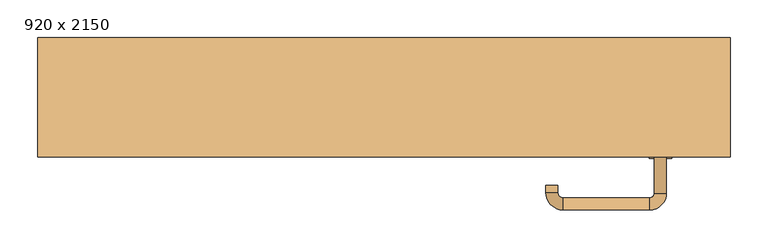
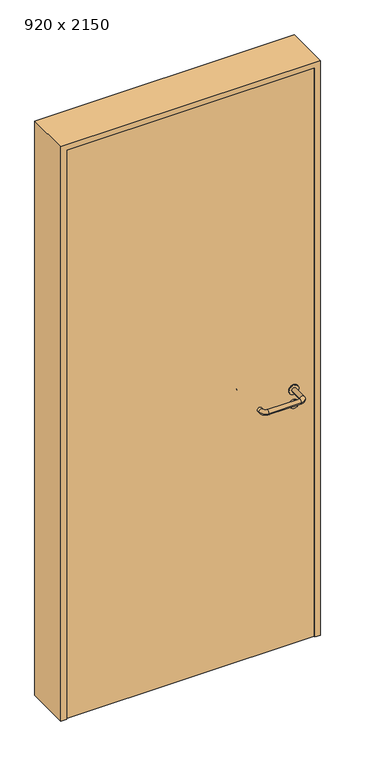
"""IFC4 building model written with IfcOpenShell, lengths in millimetres: door geometry, 920 x 2150."""

from ifc_helpers import new_model, si_unit, point, frame, frame_2d, origin, origin_with_axes, place, context, project, spatial, polyline, circle_curve, ellipse_curve, trimmed, segment, composite_curve, outline, extrude, source, transform, mapped, element, save
from ifc_brep_helpers import plane_surface, cylinder_surface, revolved_surface, advanced_brep


def door_920_x_2150_e24b32ec(model_context):
    return source(origin(), model_context, "Body", "SolidModel", [
        extrude(outline(composite_curve([segment(trimmed(circle_curve(frame_2d((897.3605726, 367.0)), 15.0), [point((897.3605726, 382.0))], [point((897.3605726, 352.0))], False, "CARTESIAN"), True, "CONTINUOUS"), segment(trimmed(circle_curve(frame_2d((897.3605726, 367.0)), 15.0), [point((897.3605726, 352.0))], [point((897.3605726, 382.0))], False, "CARTESIAN"), True, "CONTINUOUS")], self_intersect=False), holes=[composite_curve([segment(trimmed(circle_curve(frame_2d((892.5833211, 366.9398032)), 2.0), [point((892.5833211, 368.9398032))], [point((892.5833211, 364.9398032))], True, "CARTESIAN"), True, "CONTINUOUS"), segment(polyline([(892.5833211, 364.9398032), (902.5833211, 364.9398032)]), True, "CONTINUOUS"), segment(trimmed(circle_curve(frame_2d((902.5833211, 366.9398032)), 2.0), [point((902.5833211, 364.9398032))], [point((902.5833211, 368.9398032))], True, "CARTESIAN"), True, "CONTINUOUS"), segment(polyline([(902.5833211, 368.9398032), (892.5833211, 368.9398032)]), True, "CONTINUOUS")], self_intersect=False)]), frame((0.0, -45.0, 0.0), z_axis=(0.0, 1.0, 0.0), x_axis=(0.0, 0.0, 1.0)), (0.0, 0.0, 1.0), 6.35),
        extrude(outline(composite_curve([segment(trimmed(circle_curve(frame_2d((950.0, 367.0)), 17.526), [point((950.0, 384.526))], [point((950.0, 349.474))], False, "CARTESIAN"), True, "CONTINUOUS"), segment(trimmed(circle_curve(frame_2d((950.0, 367.0)), 17.526), [point((950.0, 349.474))], [point((950.0, 384.526))], False, "CARTESIAN"), True, "CONTINUOUS")], self_intersect=False)), frame((0.0, -45.0, 0.0), z_axis=(0.0, 1.0, 0.0), x_axis=(0.0, 0.0, 1.0)), (0.0, 0.0, 1.0), 3.175),
        advanced_brep(
        [(375.0, -45.0, 950.0), (359.0, -45.0, 950.0), (375.0, 8.0, 950.0), (359.0, 8.0, 950.0), (352.8578644, 14.1421356, 950.0), (352.8578644, 30.1421356, 950.0), (237.8578644, 30.1421356, 950.0), (237.8578644, 14.1421356, 950.0), (231.008622, 7.2928932, 950.0), (215.008622, 7.2928932, 950.0), (215.008622, -2.7071068, 950.0), (231.008622, -2.7071068, 950.0)],
        [
            (0, 1, circle_curve(frame((367.0, -45.0, 950.0), z_axis=(0.0, -1.0, 0.0), x_axis=(-1.0, 0.0, 0.0)), 8.0)),
            (1, 0, circle_curve(frame((367.0, -45.0, 950.0), z_axis=(0.0, -1.0, 0.0), x_axis=(-1.0, 0.0, 0.0)), 8.0)),
            (0, 2),
            (2, 3, circle_curve(frame((367.0, 8.0, 950.0), z_axis=(0.0, -1.0, 0.0), x_axis=(-1.0, 0.0, 0.0)), 8.0)),
            (3, 1),
            (3, 2, circle_curve(frame((367.0, 8.0, 950.0), z_axis=(0.0, -1.0, 0.0), x_axis=(-1.0, 0.0, 0.0)), 8.0)),
            (4, 3, circle_curve(frame((352.8578644, 8.0, 950.0), z_axis=(0.0, 0.0, -1.0), x_axis=(1.0, 0.0, 0.0)), 6.1421356)),
            (2, 5, circle_curve(frame((352.8578644, 8.0, 950.0), z_axis=(0.0, 0.0, 1.0), x_axis=(1.0, 0.0, 0.0)), 22.1421356)),
            (5, 4, circle_curve(frame((352.8578644, 22.1421356, 950.0), z_axis=(1.0, 0.0, 0.0), x_axis=(0.0, -1.0, 0.0)), 8.0)),
            (4, 5, circle_curve(frame((352.8578644, 22.1421356, 950.0), z_axis=(1.0, 0.0, 0.0), x_axis=(0.0, -1.0, 0.0)), 8.0)),
            (5, 6),
            (6, 7, circle_curve(frame((237.8578644, 22.1421356, 950.0), z_axis=(1.0, 0.0, 0.0), x_axis=(0.0, -1.0, 0.0)), 8.0)),
            (7, 4),
            (7, 6, circle_curve(frame((237.8578644, 22.1421356, 950.0), z_axis=(1.0, 0.0, 0.0), x_axis=(0.0, -1.0, 0.0)), 8.0)),
            (8, 7, circle_curve(frame((237.8578644, 7.2928932, 950.0), z_axis=(0.0, 0.0, -1.0), x_axis=(0.0, 1.0, 0.0)), 6.8492424)),
            (6, 9, circle_curve(frame((237.8578644, 7.2928932, 950.0), z_axis=(0.0, 0.0, 1.0), x_axis=(0.0, 1.0, 0.0)), 22.8492424)),
            (9, 8, circle_curve(frame((223.008622, 7.2928932, 950.0), z_axis=(0.0, 1.0, 0.0), x_axis=(1.0, 0.0, 0.0)), 8.0)),
            (8, 9, circle_curve(frame((223.008622, 7.2928932, 950.0), z_axis=(0.0, 1.0, 0.0), x_axis=(1.0, 0.0, 0.0)), 8.0)),
            (10, 11, circle_curve(frame((223.008622, -2.7071068, 950.0), z_axis=(0.0, -1.0, 0.0), x_axis=(1.0, 0.0, 0.0)), 8.0)),
            (11, 10, circle_curve(frame((223.008622, -2.7071068, 950.0), z_axis=(0.0, -1.0, 0.0), x_axis=(1.0, 0.0, 0.0)), 8.0)),
            (9, 10),
            (11, 8),
        ],
        [
            plane_surface(frame((367.0, -45.0, 0.0), z_axis=(0.0, -1.0, 0.0), x_axis=(0.0, 0.0, 1.0))),
            cylinder_surface(frame((367.0, -45.0, 950.0), z_axis=(0.0, -1.0, 0.0), x_axis=(-1.0, 0.0, 0.0)), 8.0),
            revolved_surface(trimmed(ellipse_curve(frame((367.0, 8.0, 950.0), z_axis=(0.0, -1.0, 0.0), x_axis=(-1.0, 0.0, 0.0)), 8.0, 8.0), [point((375.0, 8.0, 950.0))], [point((359.0, 8.0, 950.0))], True, "CARTESIAN"), (352.8578644, 8.0, 0.0), (0.0, 0.0, 1.0)),
            revolved_surface(trimmed(ellipse_curve(frame((367.0, 8.0, 950.0), z_axis=(0.0, -1.0, 0.0), x_axis=(-1.0, 0.0, 0.0)), 8.0, 8.0), [point((359.0, 8.0, 950.0))], [point((375.0, 8.0, 950.0))], True, "CARTESIAN"), (352.8578644, 8.0, 0.0), (0.0, 0.0, 1.0)),
            cylinder_surface(frame((352.8578644, 22.1421356, 950.0), z_axis=(1.0, 0.0, 0.0), x_axis=(0.0, -1.0, 0.0)), 8.0),
            revolved_surface(trimmed(ellipse_curve(frame((237.8578644, 22.1421356, 950.0), z_axis=(1.0, 0.0, 0.0), x_axis=(0.0, -1.0, 0.0)), 8.0, 8.0), [point((237.8578644, 30.1421356, 950.0))], [point((237.8578644, 14.1421356, 950.0))], True, "CARTESIAN"), (237.8578644, 7.2928932, 0.0), (0.0, 0.0, 1.0)),
            revolved_surface(trimmed(ellipse_curve(frame((237.8578644, 22.1421356, 950.0), z_axis=(1.0, 0.0, 0.0), x_axis=(0.0, -1.0, 0.0)), 8.0, 8.0), [point((237.8578644, 14.1421356, 950.0))], [point((237.8578644, 30.1421356, 950.0))], True, "CARTESIAN"), (237.8578644, 7.2928932, 0.0), (0.0, 0.0, 1.0)),
            plane_surface(frame((223.008622, -2.7071068, 0.0), z_axis=(0.0, -1.0, 0.0), x_axis=(0.0, 0.0, 1.0))),
            cylinder_surface(frame((223.008622, 7.2928932, 950.0), z_axis=(0.0, 1.0, 0.0), x_axis=(1.0, 0.0, 0.0)), 8.0),
        ],
        [
            (0, [[1, 2]]),
            (1, [[-1, 3, 4, 5]]),
            (1, [[-2, -5, 6, -3]]),
            (2, [[7, -4, 8, 9]]),
            (3, [[-8, -6, -7, 10]]),
            (4, [[-9, 11, 12, 13]]),
            (4, [[-10, -13, 14, -11]]),
            (5, [[15, -12, 16, 17]]),
            (6, [[-16, -14, -15, 18]]),
            (7, [[19, 20]]),
            (8, [[-17, 21, -20, 22]]),
            (8, [[-18, -22, -19, -21]]),
        ],
    ),
        extrude(outline(composite_curve([segment(trimmed(circle_curve(frame_2d((0.0, 15.0)), 15.0), [point((0.0, 30.0))], [point((0.0, 0.0))], False, "CARTESIAN"), True, "CONTINUOUS"), segment(trimmed(circle_curve(frame_2d((0.0, 15.0)), 15.0), [point((0.0, 0.0))], [point((0.0, 30.0))], False, "CARTESIAN"), True, "CONTINUOUS")], self_intersect=False), holes=[composite_curve([segment(trimmed(circle_curve(frame_2d((-4.7772515, 14.9398032)), 2.0), [point((-4.7772515, 16.9398032))], [point((-4.7772515, 12.9398032))], True, "CARTESIAN"), True, "CONTINUOUS"), segment(polyline([(-4.7772515, 12.9398032), (5.2227485, 12.9398032)]), True, "CONTINUOUS"), segment(trimmed(circle_curve(frame_2d((5.2227485, 14.9398032)), 2.0), [point((5.2227485, 12.9398032))], [point((5.2227485, 16.9398032))], True, "CARTESIAN"), True, "CONTINUOUS"), segment(polyline([(5.2227485, 16.9398032), (-4.7772515, 16.9398032)]), True, "CONTINUOUS")], self_intersect=False)]), frame((352.0, -81.35, 897.3605726), z_axis=(-1.8870575173328306e-12, 1.0, 0.0), x_axis=(0.0, 0.0, 1.0)), (0.0, 0.0, 1.0), 6.35),
        extrude(outline(composite_curve([segment(trimmed(circle_curve(frame_2d((0.0, 17.526)), 17.526), [point((0.0, 35.052))], [point((0.0, 0.0))], False, "CARTESIAN"), True, "CONTINUOUS"), segment(trimmed(circle_curve(frame_2d((0.0, 17.526)), 17.526), [point((0.0, 0.0))], [point((0.0, 35.052))], False, "CARTESIAN"), True, "CONTINUOUS")], self_intersect=False)), frame((349.474, -78.175, 950.0), z_axis=(-1.8870575173328306e-12, 1.0, 0.0), x_axis=(0.0, 0.0, 1.0)), (0.0, 0.0, 1.0), 3.175),
        advanced_brep(
        [(375.0, -75.0, 950.0), (359.0, -75.0, 950.0), (359.0, -128.0, 950.0), (375.0, -128.0, 950.0), (352.8578644, -134.1421356, 950.0), (352.8578644, -150.1421356, 950.0), (237.8578644, -134.1421356, 950.0), (237.8578644, -150.1421356, 950.0), (231.008622, -127.2928932, 950.0), (215.008622, -127.2928932, 950.0), (215.008622, -117.2928932, 950.0), (231.008622, -117.2928932, 950.0)],
        [
            (0, 1, circle_curve(frame((367.0, -75.0, 950.0), z_axis=(-1.888672253512351e-12, 1.0, 0.0), x_axis=(-1.0, -1.888672253512351e-12, 0.0)), 8.0)),
            (1, 0, circle_curve(frame((367.0, -75.0, 950.0), z_axis=(-1.888672253512351e-12, 1.0, 0.0), x_axis=(-1.0, -1.888672253512351e-12, 0.0)), 8.0)),
            (1, 2),
            (2, 3, circle_curve(frame((367.0, -128.0, 950.0), z_axis=(-1.888672253512351e-12, 1.0, 0.0), x_axis=(-1.0, -1.888672253512351e-12, 0.0)), 8.0)),
            (3, 0),
            (3, 2, circle_curve(frame((367.0, -128.0, 950.0), z_axis=(-1.888672253512351e-12, 1.0, 0.0), x_axis=(-1.0, -1.888672253512351e-12, 0.0)), 8.0)),
            (4, 5, circle_curve(frame((352.8578644, -142.1421356, 950.0), z_axis=(1.0, 1.913702061528922e-12, 0.0), x_axis=(-1.913702061528922e-12, 1.0, 0.0)), 8.0)),
            (5, 3, circle_curve(frame((352.8578644, -128.0, 950.0), z_axis=(0.0, 0.0, 1.0), x_axis=(1.0, 1.880717803715015e-12, 0.0)), 22.1421356)),
            (2, 4, circle_curve(frame((352.8578644, -128.0, 950.0), z_axis=(0.0, 0.0, -1.0), x_axis=(1.0, 1.880717803715015e-12, 0.0)), 6.1421356)),
            (5, 4, circle_curve(frame((352.8578644, -142.1421356, 950.0), z_axis=(1.0, 1.913702061528922e-12, 0.0), x_axis=(-1.913702061528922e-12, 1.0, 0.0)), 8.0)),
            (4, 6),
            (6, 7, circle_curve(frame((237.8578644, -142.1421356, 950.0), z_axis=(1.0, 1.913719828541269e-12, 0.0), x_axis=(-1.913719828541269e-12, 1.0, 0.0)), 8.0)),
            (7, 5),
            (7, 6, circle_curve(frame((237.8578644, -142.1421356, 950.0), z_axis=(1.0, 1.913719828541269e-12, 0.0), x_axis=(-1.913719828541269e-12, 1.0, 0.0)), 8.0)),
            (8, 9, circle_curve(frame((223.008622, -127.2928932, 950.0), z_axis=(1.8888942981172756e-12, -1.0, 0.0), x_axis=(1.0, 1.8888942981172756e-12, 0.0)), 8.0)),
            (9, 7, circle_curve(frame((237.8578644, -127.2928932, 950.0), z_axis=(0.0, 0.0, 1.0), x_axis=(1.9120873253494017e-12, -1.0, 0.0)), 22.8492424)),
            (6, 8, circle_curve(frame((237.8578644, -127.2928932, 950.0), z_axis=(0.0, 0.0, -1.0), x_axis=(1.9120873253494017e-12, -1.0, 0.0)), 6.8492424)),
            (9, 8, circle_curve(frame((223.008622, -127.2928932, 950.0), z_axis=(1.890448610351751e-12, -1.0, 0.0), x_axis=(1.0, 1.890448610351751e-12, 0.0)), 8.0)),
            (10, 11, circle_curve(frame((223.008622, -117.2928932, 950.0), z_axis=(-1.8903642334018795e-12, 1.0, 0.0), x_axis=(1.0, 1.8903642334018795e-12, 0.0)), 8.0)),
            (11, 10, circle_curve(frame((223.008622, -117.2928932, 950.0), z_axis=(-1.8903642334018795e-12, 1.0, 0.0), x_axis=(1.0, 1.8903642334018795e-12, 0.0)), 8.0)),
            (8, 11),
            (10, 9),
        ],
        [
            plane_surface(frame((367.0, -75.0, 0.0), z_axis=(-1.8870575173328306e-12, 1.0, 0.0), x_axis=(0.0, 0.0, 1.0))),
            cylinder_surface(frame((367.0, -75.0, 950.0), z_axis=(-1.888672253512351e-12, 1.0, 0.0), x_axis=(-1.0, -1.888672253512351e-12, 0.0)), 8.0),
            revolved_surface(trimmed(ellipse_curve(frame((367.0, -128.0, 950.0), z_axis=(1.8823325398945356e-12, -1.0, 0.0), x_axis=(-1.0, -1.8823325398945356e-12, 0.0)), 8.0, 8.0), [point((375.0, -128.0, 950.0))], [point((359.0, -128.0, 950.0))], True, "CARTESIAN"), (352.8578644, -128.0, 0.0), (0.0, 0.0, 1.0)),
            revolved_surface(trimmed(ellipse_curve(frame((367.0, -128.0, 950.0), z_axis=(1.8823325398945356e-12, -1.0, 0.0), x_axis=(-1.0, -1.8823325398945356e-12, 0.0)), 8.0, 8.0), [point((359.0, -128.0, 950.0))], [point((375.0, -128.0, 950.0))], True, "CARTESIAN"), (352.8578644, -128.0, 0.0), (0.0, 0.0, 1.0)),
            cylinder_surface(frame((352.8578644, -142.1421356, 950.0), z_axis=(1.0, 1.913719828541269e-12, 0.0), x_axis=(-1.913719828541269e-12, 1.0, 0.0)), 8.0),
            revolved_surface(trimmed(ellipse_curve(frame((237.8578644, -142.1421356, 950.0), z_axis=(-1.0, -1.913702061528922e-12, 0.0), x_axis=(-1.913702061528922e-12, 1.0, 0.0)), 8.0, 8.0), [point((237.8578644, -150.1421356, 950.0))], [point((237.8578644, -134.1421356, 950.0))], True, "CARTESIAN"), (237.8578644, -127.2928932, 0.0), (0.0, 0.0, 1.0)),
            revolved_surface(trimmed(ellipse_curve(frame((237.8578644, -142.1421356, 950.0), z_axis=(-1.0, -1.913702061528922e-12, 0.0), x_axis=(-1.913702061528922e-12, 1.0, 0.0)), 8.0, 8.0), [point((237.8578644, -134.1421356, 950.0))], [point((237.8578644, -150.1421356, 950.0))], True, "CARTESIAN"), (237.8578644, -127.2928932, 0.0), (0.0, 0.0, 1.0)),
            plane_surface(frame((223.008622, -117.2928932, 0.0), z_axis=(-1.8887494972223595e-12, 1.0, 0.0), x_axis=(0.0, 0.0, 1.0))),
            cylinder_surface(frame((223.008622, -127.2928932, 950.0), z_axis=(1.8903642334018795e-12, -1.0, 0.0), x_axis=(1.0, 1.8903642334018795e-12, 0.0)), 8.0),
        ],
        [
            (0, [[1, 2]]),
            (1, [[3, 4, 5, -2]]),
            (1, [[-5, 6, -3, -1]]),
            (2, [[7, 8, -4, 9]]),
            (3, [[10, -9, -6, -8]]),
            (4, [[11, 12, 13, -7]]),
            (4, [[-13, 14, -11, -10]]),
            (5, [[15, 16, -12, 17]]),
            (6, [[18, -17, -14, -16]]),
            (7, [[19, 20]]),
            (8, [[21, -19, 22, -15]]),
            (8, [[-22, -20, -21, -18]]),
        ],
    ),
        extrude(outline(polyline([(2130.0, 440.0), (0.0, 440.0), (0.0, 460.0), (2150.0, 460.0), (2150.0, -460.0), (0.0, -460.0), (0.0, -440.0), (2130.0, -440.0), (2130.0, 440.0)])), frame((0.0, -80.0, 0.0), z_axis=(0.0, 1.0, 0.0), x_axis=(0.0, 0.0, 1.0)), (0.0, 0.0, 1.0), 159.0),
        extrude(outline(polyline([(-440.0, -75.0), (-440.0, -45.0), (440.0, -45.0), (440.0, -75.0), (-440.0, -75.0)])), origin_with_axes(), (0.0, 0.0, 1.0), 2130.0),
    ])


if __name__ == "__main__":
    model = new_model("IFC4")
    model_context = context("Model", 3, world=origin())
    ifc_project = project(units=[si_unit("LENGTHUNIT", "METRE", prefix="MILLI")], contexts=[model_context])
    site = spatial("IfcSite", under=ifc_project)
    building = spatial("IfcBuilding", under=site)
    placement = place(None, origin())
    door_920_x_2150_shape = door_920_x_2150_e24b32ec(model_context)
    element("IfcDoor", 1, ObjectType="920 x 2150", at=placement, inside=building, context=model_context, shape_type="MappedRepresentation", body=[
        mapped(door_920_x_2150_shape, transform((0.0, 0.0, 0.0), x_axis=(1.0, 0.0, 0.0), y_axis=(0.0, 1.0, 0.0), z_axis=(0.0, 0.0, 1.0))),
    ])
    save(model, "model.ifc")
